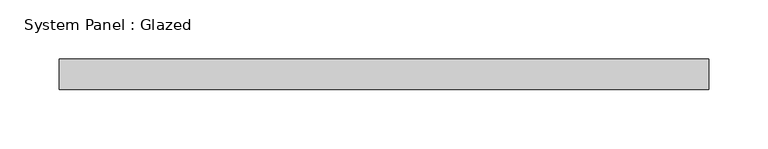
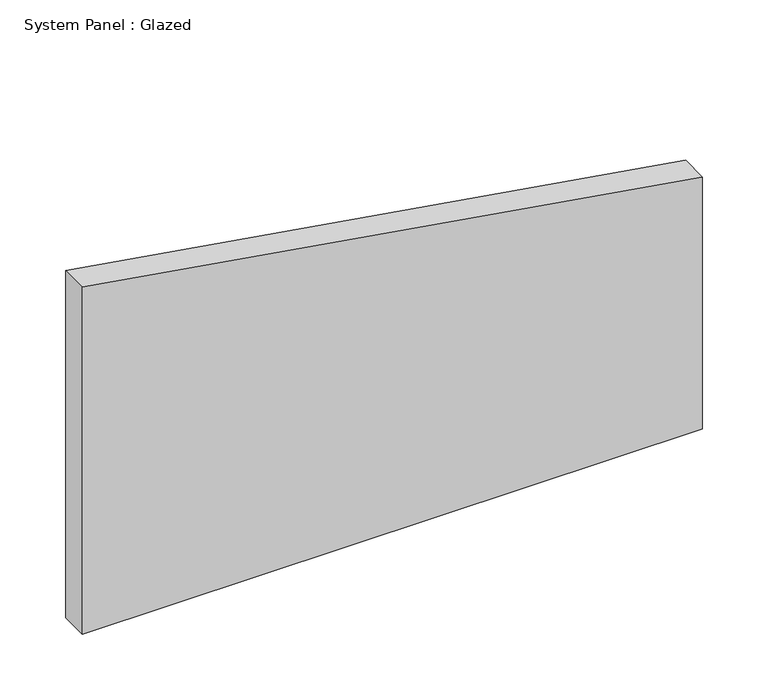
"""IFC4 building model written with IfcOpenShell, lengths in millimetres: plate geometry, System Panel : Glazed."""

import ifcopenshell
import ifcopenshell.guid

model = None  # the IFC model being written
_history = None  # IfcOwnerHistory: only IFC2X3 demands one
_inside = {}  # id of a spatial element -> (the spatial element, [elements in it])
_under = {}  # id of a project, library or spatial element -> (it, [spatial elements below it])
_declared = {}  # id of a project -> (the project, [libraries it declares])
_typed = {}  # id of a type object -> (the type object, [elements of that type])
_made_of = {}  # id of a material, layer set ... -> (it, [elements and type objects made of it])


def new_model(schema):
    """Start an empty IFC model of exactly this schema.

    Asked for "IFC4X3", IfcOpenShell would pick the latest addendum, in which some entities
    have other attributes; the version numbers below select the first issue.
    IFC2X3 requires an IfcOwnerHistory on every rooted entity: one is made here for all.
    """
    global model, _history
    if schema == "IFC4X3":
        model = ifcopenshell.file(schema_version=(4, 3, 0, 0))
    else:
        model = ifcopenshell.file(schema=schema)
    _inside.clear()
    _under.clear()
    _declared.clear()
    _typed.clear()
    _made_of.clear()
    _history = None
    if model.schema == "IFC2X3":
        org = make("IfcOrganization", Name="unknown")
        user = make(
            "IfcPersonAndOrganization",
            ThePerson=make("IfcPerson", FamilyName="unknown"),
            TheOrganization=org,
        )
        app = make(
            "IfcApplication",
            ApplicationDeveloper=org,
            Version="unknown",
            ApplicationFullName="unknown",
            ApplicationIdentifier="unknown",
        )
        _history = make(
            "IfcOwnerHistory",
            OwningUser=user,
            OwningApplication=app,
            ChangeAction="ADDED",
            CreationDate=0,
        )
    return model


def make(cls, **values):
    """One entity of the class cls with the attributes given. An attribute that is None is left unset."""
    return model.create_entity(
        cls, **{name: value for name, value in values.items() if value is not None}
    )


def rooted(cls, **values):
    """An entity with a GlobalId (a new one), such as an element, a storey or a relation."""
    return make(cls, GlobalId=ifcopenshell.guid.new(), OwnerHistory=_history, **values)


def si_unit(unit_type, name, prefix=None):
    """IfcSIUnit, for example si_unit("LENGTHUNIT", "METRE", prefix="MILLI")."""
    return make("IfcSIUnit", UnitType=unit_type, Prefix=prefix, Name=name)


def assignment(units):
    """IfcUnitAssignment: the units of a project."""
    return None if units is None else make("IfcUnitAssignment", Units=units)


def point(xyz):
    """IfcCartesianPoint."""
    return None if xyz is None else make("IfcCartesianPoint", Coordinates=xyz)


def direction(xyz):
    """IfcDirection."""
    return None if xyz is None else make("IfcDirection", DirectionRatios=xyz)


def frame(location, z_axis=None, x_axis=None):
    """IfcAxis2Placement3D, a coordinate frame: its origin and axes. An axis left out is left unset."""
    return make(
        "IfcAxis2Placement3D",
        Location=point(location),
        Axis=direction(z_axis),
        RefDirection=direction(x_axis),
    )


def origin():
    """The frame at (0, 0, 0) with its axes left unset."""
    return frame((0.0, 0.0, 0.0))


def place(relative_to, where):
    """IfcLocalPlacement: puts the frame where relative to a parent placement (None: the world)."""
    return make(
        "IfcLocalPlacement", PlacementRelTo=relative_to, RelativePlacement=where
    )


def context(
    kind, dimensions, precision=None, world=None, true_north=None, identifier=None
):
    """IfcGeometricRepresentationContext, for example the 3D "Model" context."""
    return make(
        "IfcGeometricRepresentationContext",
        ContextIdentifier=identifier,
        ContextType=kind,
        CoordinateSpaceDimension=dimensions,
        Precision=precision,
        WorldCoordinateSystem=world,
        TrueNorth=true_north,
    )


def project(units=None, contexts=None):
    """IfcProject with its units and contexts."""
    return rooted(
        "IfcProject",
        Name="project",
        RepresentationContexts=contexts,
        UnitsInContext=assignment(units),
    )


def spatial(cls, under=None, at=None, **own):
    """A site, building, storey or space (cls), placed at a placement, below another one or the project."""
    s = rooted(cls, ObjectPlacement=at, **own)
    if under is not None:
        _under.setdefault(under.id(), (under, []))[1].append(s)
    return s


def polyline(points):
    """IfcPolyline through the points."""
    return make("IfcPolyline", Points=[point(p) for p in points])


def outline(outer, holes=None, kind="AREA"):
    """IfcArbitraryClosedProfileDef: a profile drawn as a closed curve; with holes, ...WithVoids."""
    if holes is None:
        return make("IfcArbitraryClosedProfileDef", ProfileType=kind, OuterCurve=outer)
    return make(
        "IfcArbitraryProfileDefWithVoids",
        ProfileType=kind,
        OuterCurve=outer,
        InnerCurves=holes,
    )


def extrude(swept, where, along, depth):
    """IfcExtrudedAreaSolid: the profile swept, set in the frame where, extruded along a direction by depth."""
    return make(
        "IfcExtrudedAreaSolid",
        SweptArea=swept,
        Position=where,
        ExtrudedDirection=direction(along),
        Depth=depth,
    )


def shape(context_of_items, identifier, shape_type, items):
    """IfcShapeRepresentation: the items that make up one representation, for example the "Body"."""
    return make(
        "IfcShapeRepresentation",
        ContextOfItems=context_of_items,
        RepresentationIdentifier=identifier,
        RepresentationType=shape_type,
        Items=items,
    )


def source(mapping_origin, context_of_items, identifier, shape_type, items):
    """IfcRepresentationMap: a shape defined once, which mapped items show again and again."""
    return make(
        "IfcRepresentationMap",
        MappingOrigin=mapping_origin,
        MappedRepresentation=shape(context_of_items, identifier, shape_type, items),
    )


def transform(
    local_origin,
    x_axis=None,
    y_axis=None,
    z_axis=None,
    scale=None,
    scale2=None,
    scale3=None,
    uniform=True,
):
    """IfcCartesianTransformationOperator3D, or its non-uniform kind. x_axis, y_axis, z_axis: its Axis1, 2, 3."""
    if uniform:
        return make(
            "IfcCartesianTransformationOperator3D",
            Axis1=direction(x_axis),
            Axis2=direction(y_axis),
            LocalOrigin=point(local_origin),
            Scale=scale,
            Axis3=direction(z_axis),
        )
    return make(
        "IfcCartesianTransformationOperator3DnonUniform",
        Axis1=direction(x_axis),
        Axis2=direction(y_axis),
        LocalOrigin=point(local_origin),
        Scale=scale,
        Axis3=direction(z_axis),
        Scale2=scale2,
        Scale3=scale3,
    )


def mapped(mapping_source, mapping_target):
    """IfcMappedItem: shows the shape of a source again, moved by a transform."""
    return make(
        "IfcMappedItem", MappingSource=mapping_source, MappingTarget=mapping_target
    )


def made_of(thing, what):
    """Note that an element or type object is made of a material, layer set ...; save() writes the relation."""
    if what is not None:
        _made_of.setdefault(what.id(), (what, []))[1].append(thing)
    return thing


def element(
    cls,
    number,
    at=None,
    inside=None,
    cuts=None,
    type_object=None,
    material=None,
    context=None,
    identifier="Body",
    shape_type=None,
    held_by="IfcProductDefinitionShape",
    body=None,
    shapes=None,
    **own,
):
    """One element of the class cls, such as IfcWall. Its Tag is "e" and its number.

    at: its placement. inside: the storey or other place that contains it. cuts: it is an
    opening in that element (IfcRelVoidsElement). A single representation is given by context,
    identifier, shape_type and body (its items); several are given by shapes. held_by: the class
    of the entity that holds the representations. save() writes the other relations.
    """
    e = rooted(cls, Tag="e%d" % number, ObjectPlacement=at, **own)
    if body is not None:
        shapes = [shape(context, identifier, shape_type, body)]
    if shapes is not None:
        e.Representation = make(held_by, Representations=shapes)
    if inside is not None:
        _inside.setdefault(inside.id(), (inside, []))[1].append(e)
    if cuts is not None:
        rooted(
            "IfcRelVoidsElement", RelatingBuildingElement=cuts, RelatedOpeningElement=e
        )
    if type_object is not None:
        _typed.setdefault(type_object.id(), (type_object, []))[1].append(e)
    return made_of(e, material)


def aggregate(whole, parts):
    """IfcRelAggregates: a whole, such as a stair, and the parts it consists of."""
    return rooted("IfcRelAggregates", RelatingObject=whole, RelatedObjects=parts)


def save(model, path):
    """Write the relations noted so far, then the file.

    IfcRelAggregates (storeys below a building ...), IfcRelContainedInSpatialStructure (elements
    in a storey), IfcRelDefinesByType, IfcRelAssociatesMaterial and IfcRelDeclares: one each for
    every whole, place, type object, material and project.
    """
    for whole, parts in _under.values():
        aggregate(whole, parts)
    for where, things in _inside.values():
        rooted(
            "IfcRelContainedInSpatialStructure",
            RelatedElements=things,
            RelatingStructure=where,
        )
    for kind, things in _typed.values():
        rooted("IfcRelDefinesByType", RelatedObjects=things, RelatingType=kind)
    for what, things in _made_of.values():
        rooted("IfcRelAssociatesMaterial", RelatedObjects=things, RelatingMaterial=what)
    for by, libraries in _declared.values():
        rooted("IfcRelDeclares", RelatingContext=by, RelatedDefinitions=libraries)
    model.write(path)


def system_panel_glazed_1e894728(model_context):
    return source(origin(), model_context, "Body", "SweptSolid", [
        extrude(outline(polyline([(0.0, -273.05), (0.0, 273.05), (235.0283106, 273.05), (323.3669947, -273.05), (0.0, -273.05)])), frame((0.0, 19.05, 0.0), z_axis=(0.0, 1.0, 0.0), x_axis=(0.0, 0.0, 1.0)), (0.0, 0.0, 1.0), 25.4),
    ])


if __name__ == "__main__":
    model = new_model("IFC4")
    model_context = context("Model", 3, world=origin())
    ifc_project = project(units=[si_unit("LENGTHUNIT", "METRE", prefix="MILLI")], contexts=[model_context])
    site = spatial("IfcSite", under=ifc_project)
    building = spatial("IfcBuilding", under=site)
    placement = place(None, origin())
    system_panel_glazed_shape = system_panel_glazed_1e894728(model_context)
    element("IfcPlate", 1, ObjectType="System Panel : Glazed", at=placement, inside=building, context=model_context, shape_type="MappedRepresentation", body=[
        mapped(system_panel_glazed_shape, transform((0.0, 0.0, 0.0), x_axis=(1.0, 0.0, 0.0), y_axis=(0.0, 1.0, 0.0), z_axis=(0.0, 0.0, 1.0))),
    ])
    save(model, "model.ifc")
